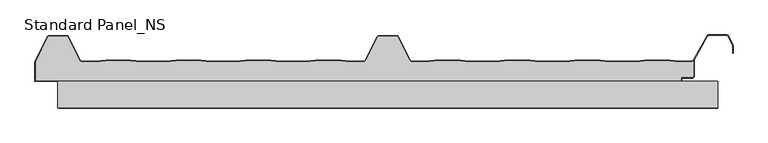
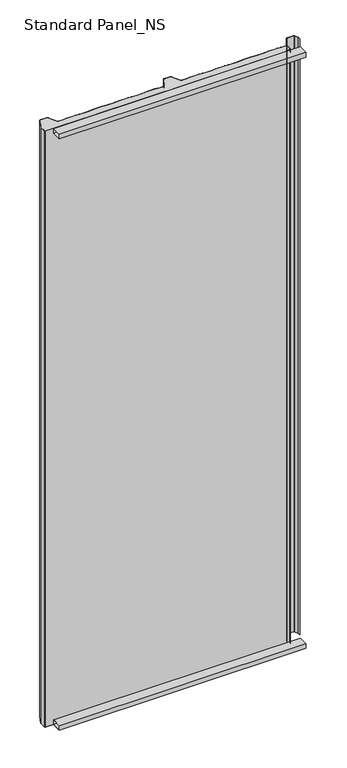
"""IFC4 building model written with IfcOpenShell, lengths in millimetres: proxy geometry, Standard Panel_NS."""

import ifcopenshell
import ifcopenshell.guid

model = None  # the IFC model being written
_history = None  # IfcOwnerHistory: only IFC2X3 demands one
_inside = {}  # id of a spatial element -> (the spatial element, [elements in it])
_under = {}  # id of a project, library or spatial element -> (it, [spatial elements below it])
_declared = {}  # id of a project -> (the project, [libraries it declares])
_typed = {}  # id of a type object -> (the type object, [elements of that type])
_made_of = {}  # id of a material, layer set ... -> (it, [elements and type objects made of it])


def new_model(schema):
    """Start an empty IFC model of exactly this schema.

    Asked for "IFC4X3", IfcOpenShell would pick the latest addendum, in which some entities
    have other attributes; the version numbers below select the first issue.
    IFC2X3 requires an IfcOwnerHistory on every rooted entity: one is made here for all.
    """
    global model, _history
    if schema == "IFC4X3":
        model = ifcopenshell.file(schema_version=(4, 3, 0, 0))
    else:
        model = ifcopenshell.file(schema=schema)
    _inside.clear()
    _under.clear()
    _declared.clear()
    _typed.clear()
    _made_of.clear()
    _history = None
    if model.schema == "IFC2X3":
        org = make("IfcOrganization", Name="unknown")
        user = make(
            "IfcPersonAndOrganization",
            ThePerson=make("IfcPerson", FamilyName="unknown"),
            TheOrganization=org,
        )
        app = make(
            "IfcApplication",
            ApplicationDeveloper=org,
            Version="unknown",
            ApplicationFullName="unknown",
            ApplicationIdentifier="unknown",
        )
        _history = make(
            "IfcOwnerHistory",
            OwningUser=user,
            OwningApplication=app,
            ChangeAction="ADDED",
            CreationDate=0,
        )
    return model


def make(cls, **values):
    """One entity of the class cls with the attributes given. An attribute that is None is left unset."""
    return model.create_entity(
        cls, **{name: value for name, value in values.items() if value is not None}
    )


def rooted(cls, **values):
    """An entity with a GlobalId (a new one), such as an element, a storey or a relation."""
    return make(cls, GlobalId=ifcopenshell.guid.new(), OwnerHistory=_history, **values)


def si_unit(unit_type, name, prefix=None):
    """IfcSIUnit, for example si_unit("LENGTHUNIT", "METRE", prefix="MILLI")."""
    return make("IfcSIUnit", UnitType=unit_type, Prefix=prefix, Name=name)


def assignment(units):
    """IfcUnitAssignment: the units of a project."""
    return None if units is None else make("IfcUnitAssignment", Units=units)


def point(xyz):
    """IfcCartesianPoint."""
    return None if xyz is None else make("IfcCartesianPoint", Coordinates=xyz)


def direction(xyz):
    """IfcDirection."""
    return None if xyz is None else make("IfcDirection", DirectionRatios=xyz)


def frame(location, z_axis=None, x_axis=None):
    """IfcAxis2Placement3D, a coordinate frame: its origin and axes. An axis left out is left unset."""
    return make(
        "IfcAxis2Placement3D",
        Location=point(location),
        Axis=direction(z_axis),
        RefDirection=direction(x_axis),
    )


def frame_2d(location, x_axis=None):
    """IfcAxis2Placement2D, a coordinate frame in the plane: its origin and x axis."""
    return make(
        "IfcAxis2Placement2D", Location=point(location), RefDirection=direction(x_axis)
    )


def origin():
    """The frame at (0, 0, 0) with its axes left unset."""
    return frame((0.0, 0.0, 0.0))


def origin_with_axes():
    """The frame at (0, 0, 0) with the z axis (0, 0, 1) and the x axis (1, 0, 0) written out."""
    return frame((0.0, 0.0, 0.0), z_axis=(0.0, 0.0, 1.0), x_axis=(1.0, 0.0, 0.0))


def place(relative_to, where):
    """IfcLocalPlacement: puts the frame where relative to a parent placement (None: the world)."""
    return make(
        "IfcLocalPlacement", PlacementRelTo=relative_to, RelativePlacement=where
    )


def context(
    kind, dimensions, precision=None, world=None, true_north=None, identifier=None
):
    """IfcGeometricRepresentationContext, for example the 3D "Model" context."""
    return make(
        "IfcGeometricRepresentationContext",
        ContextIdentifier=identifier,
        ContextType=kind,
        CoordinateSpaceDimension=dimensions,
        Precision=precision,
        WorldCoordinateSystem=world,
        TrueNorth=true_north,
    )


def project(units=None, contexts=None):
    """IfcProject with its units and contexts."""
    return rooted(
        "IfcProject",
        Name="project",
        RepresentationContexts=contexts,
        UnitsInContext=assignment(units),
    )


def spatial(cls, under=None, at=None, **own):
    """A site, building, storey or space (cls), placed at a placement, below another one or the project."""
    s = rooted(cls, ObjectPlacement=at, **own)
    if under is not None:
        _under.setdefault(under.id(), (under, []))[1].append(s)
    return s


def polyline(points):
    """IfcPolyline through the points."""
    return make("IfcPolyline", Points=[point(p) for p in points])


def circle_curve(where, radius):
    """IfcCircle in the frame where."""
    return make("IfcCircle", Position=where, Radius=radius)


def trimmed(basis, trim1, trim2, sense, master):
    """IfcTrimmedCurve: the piece of a basis curve between two trims."""
    return make(
        "IfcTrimmedCurve",
        BasisCurve=basis,
        Trim1=trim1,
        Trim2=trim2,
        SenseAgreement=sense,
        MasterRepresentation=master,
    )


def segment(curve, same_sense, transition):
    """IfcCompositeCurveSegment."""
    return make(
        "IfcCompositeCurveSegment",
        Transition=transition,
        SameSense=same_sense,
        ParentCurve=curve,
    )


def composite_curve(segments, self_intersect=None):
    """IfcCompositeCurve: segments joined end to end."""
    return make("IfcCompositeCurve", Segments=segments, SelfIntersect=self_intersect)


def outline(outer, holes=None, kind="AREA"):
    """IfcArbitraryClosedProfileDef: a profile drawn as a closed curve; with holes, ...WithVoids."""
    if holes is None:
        return make("IfcArbitraryClosedProfileDef", ProfileType=kind, OuterCurve=outer)
    return make(
        "IfcArbitraryProfileDefWithVoids",
        ProfileType=kind,
        OuterCurve=outer,
        InnerCurves=holes,
    )


def extrude(swept, where, along, depth):
    """IfcExtrudedAreaSolid: the profile swept, set in the frame where, extruded along a direction by depth."""
    return make(
        "IfcExtrudedAreaSolid",
        SweptArea=swept,
        Position=where,
        ExtrudedDirection=direction(along),
        Depth=depth,
    )


def shape(context_of_items, identifier, shape_type, items):
    """IfcShapeRepresentation: the items that make up one representation, for example the "Body"."""
    return make(
        "IfcShapeRepresentation",
        ContextOfItems=context_of_items,
        RepresentationIdentifier=identifier,
        RepresentationType=shape_type,
        Items=items,
    )


def source(mapping_origin, context_of_items, identifier, shape_type, items):
    """IfcRepresentationMap: a shape defined once, which mapped items show again and again."""
    return make(
        "IfcRepresentationMap",
        MappingOrigin=mapping_origin,
        MappedRepresentation=shape(context_of_items, identifier, shape_type, items),
    )


def transform(
    local_origin,
    x_axis=None,
    y_axis=None,
    z_axis=None,
    scale=None,
    scale2=None,
    scale3=None,
    uniform=True,
):
    """IfcCartesianTransformationOperator3D, or its non-uniform kind. x_axis, y_axis, z_axis: its Axis1, 2, 3."""
    if uniform:
        return make(
            "IfcCartesianTransformationOperator3D",
            Axis1=direction(x_axis),
            Axis2=direction(y_axis),
            LocalOrigin=point(local_origin),
            Scale=scale,
            Axis3=direction(z_axis),
        )
    return make(
        "IfcCartesianTransformationOperator3DnonUniform",
        Axis1=direction(x_axis),
        Axis2=direction(y_axis),
        LocalOrigin=point(local_origin),
        Scale=scale,
        Axis3=direction(z_axis),
        Scale2=scale2,
        Scale3=scale3,
    )


def mapped(mapping_source, mapping_target):
    """IfcMappedItem: shows the shape of a source again, moved by a transform."""
    return make(
        "IfcMappedItem", MappingSource=mapping_source, MappingTarget=mapping_target
    )


def made_of(thing, what):
    """Note that an element or type object is made of a material, layer set ...; save() writes the relation."""
    if what is not None:
        _made_of.setdefault(what.id(), (what, []))[1].append(thing)
    return thing


def element(
    cls,
    number,
    at=None,
    inside=None,
    cuts=None,
    type_object=None,
    material=None,
    context=None,
    identifier="Body",
    shape_type=None,
    held_by="IfcProductDefinitionShape",
    body=None,
    shapes=None,
    **own,
):
    """One element of the class cls, such as IfcWall. Its Tag is "e" and its number.

    at: its placement. inside: the storey or other place that contains it. cuts: it is an
    opening in that element (IfcRelVoidsElement). A single representation is given by context,
    identifier, shape_type and body (its items); several are given by shapes. held_by: the class
    of the entity that holds the representations. save() writes the other relations.
    """
    e = rooted(cls, Tag="e%d" % number, ObjectPlacement=at, **own)
    if body is not None:
        shapes = [shape(context, identifier, shape_type, body)]
    if shapes is not None:
        e.Representation = make(held_by, Representations=shapes)
    if inside is not None:
        _inside.setdefault(inside.id(), (inside, []))[1].append(e)
    if cuts is not None:
        rooted(
            "IfcRelVoidsElement", RelatingBuildingElement=cuts, RelatedOpeningElement=e
        )
    if type_object is not None:
        _typed.setdefault(type_object.id(), (type_object, []))[1].append(e)
    return made_of(e, material)


def aggregate(whole, parts):
    """IfcRelAggregates: a whole, such as a stair, and the parts it consists of."""
    return rooted("IfcRelAggregates", RelatingObject=whole, RelatedObjects=parts)


def save(model, path):
    """Write the relations noted so far, then the file.

    IfcRelAggregates (storeys below a building ...), IfcRelContainedInSpatialStructure (elements
    in a storey), IfcRelDefinesByType, IfcRelAssociatesMaterial and IfcRelDeclares: one each for
    every whole, place, type object, material and project.
    """
    for whole, parts in _under.values():
        aggregate(whole, parts)
    for where, things in _inside.values():
        rooted(
            "IfcRelContainedInSpatialStructure",
            RelatedElements=things,
            RelatingStructure=where,
        )
    for kind, things in _typed.values():
        rooted("IfcRelDefinesByType", RelatedObjects=things, RelatingType=kind)
    for what, things in _made_of.values():
        rooted("IfcRelAssociatesMaterial", RelatedObjects=things, RelatingMaterial=what)
    for by, libraries in _declared.values():
        rooted("IfcRelDeclares", RelatingContext=by, RelatedDefinitions=libraries)
    model.write(path)


def standard_panel_ns_a60d6694(model_context):
    return source(origin(), model_context, "Body", "SweptSolid", [
        extrude(outline(polyline([(40.0, 0.0), (0.0, 0.0), (0.0, 20.0), (40.0, 20.0), (40.0, 0.0)]), holes=[polyline([(0.9, 19.1), (0.9, 0.9), (39.1, 0.9), (39.1, 19.1), (0.9, 19.1)])]), frame((-499.5000907, 0.0, 0.0), z_axis=(1.0, 0.0, 0.0), x_axis=(0.0, 1.0, 0.0)), (0.0, 0.0, 1.0), 999.5000907),
        extrude(outline(polyline([(40.0, 2549.5097568), (40.0, 2529.5097568), (0.0, 2529.5097568), (0.0, 2549.5097568), (40.0, 2549.5097568)]), holes=[polyline([(0.9, 2548.6097568), (0.9, 2530.4097568), (39.1, 2530.4097568), (39.1, 2548.6097568), (0.9, 2548.6097568)])]), frame((-500.0, 0.0, 0.0), z_axis=(1.0, 0.0, 0.0), x_axis=(0.0, 1.0, 0.0)), (0.0, 0.0, 1.0), 1000.0),
        extrude(outline(composite_curve([segment(trimmed(circle_curve(frame_2d((461.2333678, 47.9776976)), 2.1), [point((463.3333678, 47.9776976))], [point((461.2333678, 45.8776976))], False, "CARTESIAN"), True, "CONTINUOUS"), segment(polyline([(461.2333678, 45.8776976), (444.4044996, 45.8776976), (444.4044996, 40.8776976), (-533.8689812, 40.8776976), (-533.8689812, 69.987751), (-515.1468491, 107.2989838)]), True, "CONTINUOUS"), segment(trimmed(circle_curve(frame_2d((-513.1679785, 106.3376976)), 2.2), [point((-515.1468491, 107.2989838))], [point((-513.1679785, 108.5376976))], False, "CARTESIAN"), True, "CONTINUOUS"), segment(polyline([(-513.1679785, 108.5376976), (-486.83184, 108.5376976)]), True, "CONTINUOUS"), segment(trimmed(circle_curve(frame_2d((-486.83184, 106.3376976)), 2.2), [point((-486.83184, 108.5376976))], [point((-484.8632284, 107.3198221))], False, "CARTESIAN"), True, "CONTINUOUS"), segment(polyline([(-484.8632284, 107.3198221), (-466.9621881, 71.7014308)]), True, "CONTINUOUS"), segment(trimmed(circle_curve(frame_2d((-463.5629534, 73.4000196)), 3.8), [point((-466.9621881, 71.7014308))], [point((-463.5629534, 69.6000196))], True, "CARTESIAN"), True, "CONTINUOUS"), segment(polyline([(-463.5629534, 69.6000196), (-442.4071525, 69.6000196), (-427.5266141, 71.4), (-389.5037331, 71.4), (-374.6231947, 69.6000196), (-336.4071525, 69.6000196), (-321.5266141, 71.4), (-283.5037331, 71.4), (-268.6231947, 69.6000196), (-230.4071525, 69.6000196), (-215.5266141, 71.4), (-177.5037331, 71.4), (-162.6231947, 69.6000196), (-124.4071525, 69.6000196), (-109.5266141, 71.4), (-71.5037331, 71.4), (-56.6231947, 69.6000196), (-36.856799, 69.6000196)]), True, "CONTINUOUS"), segment(trimmed(circle_curve(frame_2d((-36.856799, 73.4000196)), 3.8), [point((-36.856799, 69.6000196))], [point((-33.4593215, 71.697919))], True, "CARTESIAN"), True, "CONTINUOUS"), segment(polyline([(-33.4593215, 71.697919), (-15.1166702, 107.3890619)]), True, "CONTINUOUS"), segment(trimmed(circle_curve(frame_2d((-13.1465337, 106.41)), 2.2), [point((-15.1166702, 107.3890619))], [point((-13.1465337, 108.61))], False, "CARTESIAN"), True, "CONTINUOUS"), segment(polyline([(-13.1465337, 108.61), (13.1431912, 108.61)]), True, "CONTINUOUS"), segment(trimmed(circle_curve(frame_2d((13.1431912, 106.41)), 2.2), [point((13.1431912, 108.61))], [point((15.1133281, 107.389061))], False, "CARTESIAN"), True, "CONTINUOUS"), segment(polyline([(15.1133281, 107.389061), (33.4515652, 71.7067576)]), True, "CONTINUOUS"), segment(trimmed(circle_curve(frame_2d((36.8490422, 73.4088594)), 3.8), [point((33.4515652, 71.7067576))], [point((36.8490422, 69.6088594))], True, "CARTESIAN"), True, "CONTINUOUS"), segment(polyline([(36.8490422, 69.6088594), (56.6929307, 69.6088594), (71.5003906, 71.4), (109.5232716, 71.4), (124.3424702, 69.6074394), (162.6811919, 69.6074394), (177.5003906, 71.4), (215.5232716, 71.4), (230.356647, 69.6057246), (268.6670151, 69.6057246), (283.5003906, 71.4), (321.5232716, 71.4), (336.3708239, 69.6040097), (374.6528383, 69.6040097), (389.5003906, 71.4), (427.5232716, 71.4), (442.3850007, 69.6022949), (460.2255768, 69.6022949)]), True, "CONTINUOUS"), segment(trimmed(circle_curve(frame_2d((460.1791882, 73.4020117)), 3.8), [point((460.2255768, 69.6022949))], [point((463.3333678, 71.2827781))], True, "CARTESIAN"), True, "CONTINUOUS"), segment(polyline([(463.3333678, 71.2827781), (463.3333678, 47.9776976)]), True, "CONTINUOUS")], self_intersect=False)), origin_with_axes(), (0.0, 0.0, 1.0), 2549.5097568),
        extrude(outline(composite_curve([segment(polyline([(-321.5748232, 72.2), (-283.455524, 72.2), (-268.5749856, 70.4000196), (-230.4553616, 70.4000196), (-215.5748232, 72.2), (-177.455524, 72.2), (-162.5749856, 70.4000196), (-124.4553616, 70.4000196), (-109.5748232, 72.2), (-71.455524, 72.2), (-56.5749856, 70.4000196), (-36.856799, 70.4000196)]), True, "CONTINUOUS"), segment(trimmed(circle_curve(frame_2d((-36.856799, 73.4000196)), 3.0), [point((-36.856799, 70.4000196))], [point((-34.1728476, 72.0597193))], True, "CARTESIAN"), True, "CONTINUOUS"), segment(polyline([(-34.1728476, 72.0597193), (-15.8304851, 107.7503003)]), True, "CONTINUOUS"), segment(trimmed(circle_curve(frame_2d((-13.1465337, 106.41)), 3.0), [point((-15.8304851, 107.7503003))], [point((-13.1465337, 109.41))], False, "CARTESIAN"), True, "CONTINUOUS"), segment(polyline([(-13.1465337, 109.41), (13.1431912, 109.41)]), True, "CONTINUOUS"), segment(trimmed(circle_curve(frame_2d((13.1431912, 106.41)), 3.0), [point((13.1431912, 109.41))], [point((15.8271426, 107.7503003))], False, "CARTESIAN"), True, "CONTINUOUS"), segment(polyline([(15.8271426, 107.7503003), (34.1650908, 72.0685591)]), True, "CONTINUOUS"), segment(trimmed(circle_curve(frame_2d((36.8490422, 73.4088594)), 3.0), [point((34.1650908, 72.0685591))], [point((36.8490422, 70.4088594))], True, "CARTESIAN"), True, "CONTINUOUS"), segment(polyline([(36.8490422, 70.4088594), (56.6447216, 70.4088594), (71.4521815, 72.2), (109.5714807, 72.2), (124.3906793, 70.4074394), (162.6329828, 70.4074394), (177.4521815, 72.2), (215.5714807, 72.2), (230.4048562, 70.4057246), (268.618806, 70.4057246), (283.4521815, 72.2), (321.5714807, 72.2), (336.419033, 70.4040097), (374.6046292, 70.4040097), (389.4521815, 72.2), (427.5714807, 72.2), (442.4332098, 70.4022949), (460.137971, 70.4022949)]), True, "CONTINUOUS"), segment(trimmed(circle_curve(frame_2d((460.1791882, 73.4020117)), 3.0), [point((460.137971, 70.4022949))], [point((462.8067156, 71.9542204))], True, "CARTESIAN"), True, "CONTINUOUS"), segment(polyline([(462.8067156, 71.9542204), (483.709141, 108.8490344)]), True, "CONTINUOUS"), segment(trimmed(circle_curve(frame_2d((486.3366684, 107.401243)), 3.0), [point((483.709141, 108.8490344))], [point((486.3366684, 110.401243))], False, "CARTESIAN"), True, "CONTINUOUS"), segment(polyline([(486.3366684, 110.401243), (513.6856739, 110.401243)]), True, "CONTINUOUS"), segment(trimmed(circle_curve(frame_2d((513.6856739, 107.401243)), 3.0), [point((513.6856739, 110.401243))], [point((516.3696253, 108.7415434))], False, "CARTESIAN"), True, "CONTINUOUS"), segment(polyline([(516.3696253, 108.7415434), (522.8988101, 95.6668507)]), True, "CONTINUOUS"), segment(trimmed(circle_curve(frame_2d((520.2148587, 94.3265504)), 3.0), [point((522.8988101, 95.6668507))], [point((523.2148587, 94.3265504))], False, "CARTESIAN"), True, "CONTINUOUS"), segment(polyline([(523.2148587, 94.3265504), (523.2148587, 82.8571101), (522.4148587, 82.8571101), (522.4148587, 94.3265504)]), True, "CONTINUOUS"), segment(trimmed(circle_curve(frame_2d((520.2148587, 94.3265504)), 2.2), [point((522.4148587, 94.3265504))], [point((522.1830897, 95.3094373))], True, "CARTESIAN"), True, "CONTINUOUS"), segment(polyline([(522.1830897, 95.3094373), (515.6539049, 108.3841299)]), True, "CONTINUOUS"), segment(trimmed(circle_curve(frame_2d((513.6856739, 107.401243)), 2.2), [point((515.6539049, 108.3841299))], [point((513.6856739, 109.601243))], True, "CARTESIAN"), True, "CONTINUOUS"), segment(polyline([(513.6856739, 109.601243), (486.3366684, 109.601243)]), True, "CONTINUOUS"), segment(trimmed(circle_curve(frame_2d((486.3366684, 107.401243)), 2.2), [point((486.3366684, 109.601243))], [point((484.4077107, 108.4591287))], True, "CARTESIAN"), True, "CONTINUOUS"), segment(polyline([(484.4077107, 108.4591287), (463.5049669, 71.5637527)]), True, "CONTINUOUS"), segment(trimmed(circle_curve(frame_2d((460.1791882, 73.4020117)), 3.8), [point((463.5049669, 71.5637527))], [point((460.1327996, 69.6022949))], False, "CARTESIAN"), True, "CONTINUOUS"), segment(polyline([(460.1327996, 69.6022949), (442.3850007, 69.6022949), (427.5232716, 71.4), (389.5003906, 71.4), (374.6528383, 69.6040097), (336.3708239, 69.6040097), (321.5232716, 71.4), (283.5003906, 71.4), (268.6670151, 69.6057246), (230.356647, 69.6057246), (215.5232716, 71.4), (177.5003906, 71.4), (162.6811919, 69.6074394), (124.3424702, 69.6074394), (109.5232716, 71.4), (71.5003906, 71.4), (56.6929307, 69.6088594), (36.8490422, 69.6088594)]), True, "CONTINUOUS"), segment(trimmed(circle_curve(frame_2d((36.8490422, 73.4088594)), 3.8), [point((36.8490422, 69.6088594))], [point((33.4515652, 71.7067576))], False, "CARTESIAN"), True, "CONTINUOUS"), segment(polyline([(33.4515652, 71.7067576), (15.1133281, 107.389061)]), True, "CONTINUOUS"), segment(trimmed(circle_curve(frame_2d((13.1431912, 106.41)), 2.2), [point((15.1133281, 107.389061))], [point((13.1431912, 108.61))], True, "CARTESIAN"), True, "CONTINUOUS"), segment(polyline([(13.1431912, 108.61), (-13.1465337, 108.61)]), True, "CONTINUOUS"), segment(trimmed(circle_curve(frame_2d((-13.1465337, 106.41)), 2.2), [point((-13.1465337, 108.61))], [point((-15.1166702, 107.3890619))], True, "CARTESIAN"), True, "CONTINUOUS"), segment(polyline([(-15.1166702, 107.3890619), (-33.4593215, 71.697919)]), True, "CONTINUOUS"), segment(trimmed(circle_curve(frame_2d((-36.856799, 73.4000196)), 3.8), [point((-33.4593215, 71.697919))], [point((-36.856799, 69.6000196))], False, "CARTESIAN"), True, "CONTINUOUS"), segment(polyline([(-36.856799, 69.6000196), (-56.6231947, 69.6000196), (-71.5037331, 71.4), (-109.5266141, 71.4), (-124.4071525, 69.6000196), (-162.6231947, 69.6000196), (-177.5037331, 71.4), (-215.5266141, 71.4), (-230.4071525, 69.6000196), (-268.6231947, 69.6000196), (-283.5037331, 71.4), (-321.5266141, 71.4), (-336.4071525, 69.6000196), (-374.6231947, 69.6000196), (-389.5037331, 71.4), (-427.5266141, 71.4), (-442.4071525, 69.6000196), (-463.5629534, 69.6000196)]), True, "CONTINUOUS"), segment(trimmed(circle_curve(frame_2d((-463.5629534, 73.4000196)), 3.8), [point((-463.5629534, 69.6000196))], [point((-466.9621881, 71.7014308))], False, "CARTESIAN"), True, "CONTINUOUS"), segment(polyline([(-466.9621881, 71.7014308), (-484.8632284, 107.3421244)]), True, "CONTINUOUS"), segment(trimmed(circle_curve(frame_2d((-486.83184, 106.36)), 2.2), [point((-484.8632284, 107.3421244))], [point((-486.83184, 108.56))], True, "CARTESIAN"), True, "CONTINUOUS"), segment(polyline([(-486.83184, 108.56), (-513.1679785, 108.56)]), True, "CONTINUOUS"), segment(trimmed(circle_curve(frame_2d((-513.1679785, 106.36)), 2.2), [point((-513.1679785, 108.56))], [point((-515.1468491, 107.3212862))], True, "CARTESIAN"), True, "CONTINUOUS"), segment(polyline([(-515.1468491, 107.3212862), (-533.8740229, 69.9776976), (-534.7689812, 69.9776976), (-515.8640556, 107.6757386)]), True, "CONTINUOUS"), segment(trimmed(circle_curve(frame_2d((-513.1679785, 106.36)), 3.0), [point((-515.8640556, 107.6757386))], [point((-513.1679785, 109.36))], False, "CARTESIAN"), True, "CONTINUOUS"), segment(polyline([(-513.1679785, 109.36), (-486.83184, 109.36)]), True, "CONTINUOUS"), segment(trimmed(circle_curve(frame_2d((-486.83184, 106.36)), 3.0), [point((-486.83184, 109.36))], [point((-484.1478886, 107.7003003))], False, "CARTESIAN"), True, "CONTINUOUS"), segment(polyline([(-484.1478886, 107.7003003), (-466.2469048, 72.0597193)]), True, "CONTINUOUS"), segment(trimmed(circle_curve(frame_2d((-463.5629534, 73.4000196)), 3.0), [point((-466.2469048, 72.0597193))], [point((-463.5629534, 70.4000196))], True, "CARTESIAN"), True, "CONTINUOUS"), segment(polyline([(-463.5629534, 70.4000196), (-442.4553616, 70.4000196), (-427.5748232, 72.2), (-389.455524, 72.2), (-374.5749856, 70.4000196), (-336.4553616, 70.4000196), (-321.5748232, 72.2)]), True, "CONTINUOUS")], self_intersect=False)), origin_with_axes(), (0.0, 0.0, 1.0), 2549.5097568),
        extrude(outline(composite_curve([segment(polyline([(-534.7689812, 69.9776976), (-533.8689812, 69.9776976), (-533.8689812, 40.9), (444.4044996, 40.9), (444.4044996, 45.9), (461.2333678, 45.9)]), True, "CONTINUOUS"), segment(trimmed(circle_curve(frame_2d((461.2333678, 48.0)), 2.1), [point((461.2333678, 45.9))], [point((463.3333678, 48.0))], True, "CARTESIAN"), True, "CONTINUOUS"), segment(polyline([(463.3333678, 48.0), (463.3333678, 71.2827781), (464.2333678, 72.8494512), (464.2333678, 48.0)]), True, "CONTINUOUS"), segment(trimmed(circle_curve(frame_2d((461.2333678, 48.0)), 3.0), [point((464.2333678, 48.0))], [point((461.2333678, 45.0))], False, "CARTESIAN"), True, "CONTINUOUS"), segment(polyline([(461.2333678, 45.0), (445.3044996, 45.0), (445.3044996, 40.0), (-534.7689812, 40.0), (-534.7689812, 69.9776976)]), True, "CONTINUOUS")], self_intersect=False)), origin_with_axes(), (0.0, 0.0, 1.0), 2549.5097568),
    ])


if __name__ == "__main__":
    model = new_model("IFC4")
    model_context = context("Model", 3, world=origin())
    ifc_project = project(units=[si_unit("LENGTHUNIT", "METRE", prefix="MILLI")], contexts=[model_context])
    site = spatial("IfcSite", under=ifc_project)
    building = spatial("IfcBuilding", under=site)
    placement = place(None, origin())
    standard_panel_ns_shape = standard_panel_ns_a60d6694(model_context)
    element("IfcBuildingElementProxy", 1, Name="Standard Panel_NS", ObjectType="Standard Panel_NS", at=placement, inside=building, context=model_context, shape_type="MappedRepresentation", body=[
        mapped(standard_panel_ns_shape, transform((0.0, 0.0, 0.0), x_axis=(1.0, 0.0, 0.0), y_axis=(0.0, 1.0, 0.0), z_axis=(0.0, 0.0, 1.0))),
    ])
    save(model, "model.ifc")
